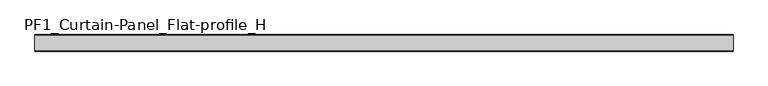
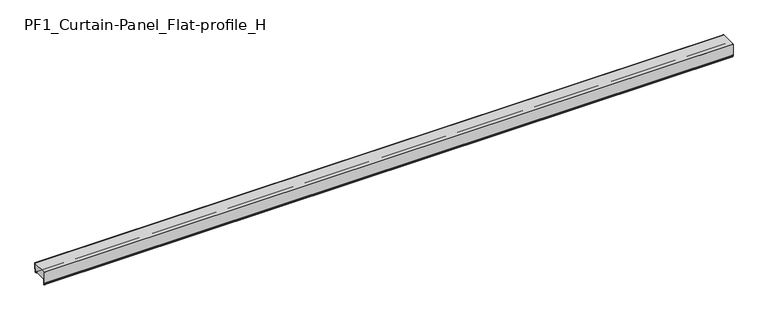
"""IFC4 building model written with IfcOpenShell, lengths in millimetres: plate geometry, PF1_Curtain-Panel_Flat-profile_H."""

from ifc_helpers import new_model, si_unit, point, frame, frame_2d, origin, place, context, project, spatial, polyline, circle_curve, trimmed, segment, composite_curve, outline, extrude, source, transform, mapped, element, save


def pf1_curtain_panel_flat_profile_h_f986effc(model_context):
    return source(origin(), model_context, "Body", "SweptSolid", [
        extrude(outline(composite_curve([segment(polyline([(-15.878557, 0.0), (-20.0, 0.0), (-20.0, 0.8), (-15.878557, 0.8)]), True, "CONTINUOUS"), segment(trimmed(circle_curve(frame_2d((-15.878557, -2.0)), 2.8), [point((-15.878557, 0.8))], [point((-13.1503208, -1.370137))], False, "CARTESIAN"), True, "CONTINUOUS"), segment(polyline([(-13.1503208, -1.370137), (-11.728236, -7.529863)]), True, "CONTINUOUS"), segment(trimmed(circle_curve(frame_2d((-9.0, -6.9)), 2.8), [point((-11.728236, -7.529863))], [point((-6.2, -6.9))], True, "CARTESIAN"), True, "CONTINUOUS"), segment(polyline([(-6.2, -6.9), (-6.2, 8.6)]), True, "CONTINUOUS"), segment(trimmed(circle_curve(frame_2d((-3.4, 8.6)), 2.8), [point((-6.2, 8.6))], [point((-3.4, 11.4))], False, "CARTESIAN"), True, "CONTINUOUS"), segment(polyline([(-3.4, 11.4), (-2.0, 11.4)]), True, "CONTINUOUS"), segment(trimmed(circle_curve(frame_2d((-2.0, 12.6)), 1.2), [point((-2.0, 11.4))], [point((-0.8, 12.6))], True, "CARTESIAN"), True, "CONTINUOUS"), segment(polyline([(-0.8, 12.6), (-0.8, 47.0), (0.0, 47.0), (0.0, 12.6)]), True, "CONTINUOUS"), segment(trimmed(circle_curve(frame_2d((-2.0, 12.6)), 2.0), [point((0.0, 12.6))], [point((-2.0, 10.6))], False, "CARTESIAN"), True, "CONTINUOUS"), segment(polyline([(-2.0, 10.6), (-3.4, 10.6)]), True, "CONTINUOUS"), segment(trimmed(circle_curve(frame_2d((-3.4, 8.6)), 2.0), [point((-3.4, 10.6))], [point((-5.4, 8.6))], True, "CARTESIAN"), True, "CONTINUOUS"), segment(polyline([(-5.4, 8.6), (-5.4, -6.9)]), True, "CONTINUOUS"), segment(trimmed(circle_curve(frame_2d((-9.0, -6.9)), 3.6), [point((-5.4, -6.9))], [point((-12.5077322, -7.7098239))], False, "CARTESIAN"), True, "CONTINUOUS"), segment(polyline([(-12.5077322, -7.7098239), (-13.929817, -1.5500979)]), True, "CONTINUOUS"), segment(trimmed(circle_curve(frame_2d((-15.878557, -2.0)), 2.0), [point((-13.929817, -1.5500979))], [point((-15.878557, 0.0))], True, "CARTESIAN"), True, "CONTINUOUS")], self_intersect=False)), frame((-2100.0, 0.0, 0.0), z_axis=(1.0, 0.0, 0.0), x_axis=(0.0, 1.0, 0.0)), (0.0, 0.0, 1.0), 4200.0),
        extrude(outline(composite_curve([segment(polyline([(-90.0, 0.0), (-93.5, 0.0)]), True, "CONTINUOUS"), segment(trimmed(circle_curve(frame_2d((-93.5, -2.0)), 2.0), [point((-93.5, 0.0))], [point((-95.5, -2.0))], True, "CARTESIAN"), True, "CONTINUOUS"), segment(polyline([(-95.5, -2.0), (-95.5, -33.0)]), True, "CONTINUOUS"), segment(trimmed(circle_curve(frame_2d((-96.5, -33.0)), 1.0), [point((-95.5, -33.0))], [point((-97.5, -33.0))], False, "CARTESIAN"), True, "CONTINUOUS"), segment(polyline([(-97.5, -33.0), (-97.5, -26.9)]), True, "CONTINUOUS"), segment(trimmed(circle_curve(frame_2d((-98.4, -26.9)), 0.9), [point((-97.5, -26.9))], [point((-98.4, -26.0))], True, "CARTESIAN"), True, "CONTINUOUS"), segment(trimmed(circle_curve(frame_2d((-98.4, -24.4)), 1.6), [point((-98.4, -26.0))], [point((-100.0, -24.4))], False, "CARTESIAN"), True, "CONTINUOUS"), segment(polyline([(-100.0, -24.4), (-100.0, 47.0), (-99.2, 47.0), (-99.2, -24.4)]), True, "CONTINUOUS"), segment(trimmed(circle_curve(frame_2d((-98.4, -24.4)), 0.8), [point((-99.2, -24.4))], [point((-98.4, -25.2))], True, "CARTESIAN"), True, "CONTINUOUS"), segment(trimmed(circle_curve(frame_2d((-98.6133333, -26.9)), 1.7133333), [point((-98.4, -25.2))], [point((-96.9, -26.9))], False, "CARTESIAN"), True, "CONTINUOUS"), segment(polyline([(-96.9, -26.9), (-96.9, -32.8700312)]), True, "CONTINUOUS"), segment(trimmed(circle_curve(frame_2d((-96.6, -32.8700312)), 0.3), [point((-96.9, -32.8700312))], [point((-96.3, -32.8700312))], True, "CARTESIAN"), True, "CONTINUOUS"), segment(polyline([(-96.3, -32.8700312), (-96.3, -2.0)]), True, "CONTINUOUS"), segment(trimmed(circle_curve(frame_2d((-93.5, -2.0)), 2.8), [point((-96.3, -2.0))], [point((-93.5, 0.8))], False, "CARTESIAN"), True, "CONTINUOUS"), segment(polyline([(-93.5, 0.8), (-90.0, 0.8), (-90.0, 0.0)]), True, "CONTINUOUS")], self_intersect=False)), frame((-2100.0, 0.0, 0.0), z_axis=(1.0, 0.0, 0.0), x_axis=(0.0, 1.0, 0.0)), (0.0, 0.0, 1.0), 4200.0),
        extrude(outline(composite_curve([segment(polyline([(-90.0, 0.8), (-93.5, 0.8)]), True, "CONTINUOUS"), segment(trimmed(circle_curve(frame_2d((-93.5, -2.0)), 2.8), [point((-93.5, 0.8))], [point((-96.3, -2.0))], True, "CARTESIAN"), True, "CONTINUOUS"), segment(polyline([(-96.3, -2.0), (-96.3, -32.8700312)]), True, "CONTINUOUS"), segment(trimmed(circle_curve(frame_2d((-96.6, -32.8700312)), 0.3), [point((-96.3, -32.8700312))], [point((-96.9, -32.8700312))], False, "CARTESIAN"), True, "CONTINUOUS"), segment(polyline([(-96.9, -32.8700312), (-96.9, -26.9)]), True, "CONTINUOUS"), segment(trimmed(circle_curve(frame_2d((-98.6133333, -26.9)), 1.7133333), [point((-96.9, -26.9))], [point((-98.4, -25.2))], True, "CARTESIAN"), True, "CONTINUOUS"), segment(trimmed(circle_curve(frame_2d((-98.4, -24.4)), 0.8), [point((-98.4, -25.2))], [point((-99.2, -24.4))], False, "CARTESIAN"), True, "CONTINUOUS"), segment(polyline([(-99.2, -24.4), (-99.2, 47.0), (-0.8, 47.0), (-0.8, 12.6)]), True, "CONTINUOUS"), segment(trimmed(circle_curve(frame_2d((-2.0, 12.6)), 1.2), [point((-0.8, 12.6))], [point((-2.0, 11.4))], False, "CARTESIAN"), True, "CONTINUOUS"), segment(polyline([(-2.0, 11.4), (-3.4, 11.4)]), True, "CONTINUOUS"), segment(trimmed(circle_curve(frame_2d((-3.4, 8.6)), 2.8), [point((-3.4, 11.4))], [point((-6.2, 8.6))], True, "CARTESIAN"), True, "CONTINUOUS"), segment(polyline([(-6.2, 8.6), (-6.2, -6.9)]), True, "CONTINUOUS"), segment(trimmed(circle_curve(frame_2d((-9.0, -6.9)), 2.8), [point((-6.2, -6.9))], [point((-11.7282362, -7.529863))], False, "CARTESIAN"), True, "CONTINUOUS"), segment(polyline([(-11.7282362, -7.529863), (-13.1503208, -1.370137)]), True, "CONTINUOUS"), segment(trimmed(circle_curve(frame_2d((-15.878557, -2.0)), 2.8), [point((-13.1503208, -1.370137))], [point((-15.878557, 0.8))], True, "CARTESIAN"), True, "CONTINUOUS"), segment(polyline([(-15.878557, 0.8), (-20.0, 0.8), (-20.0, 0.0), (-90.0, 0.0), (-90.0, 0.8)]), True, "CONTINUOUS")], self_intersect=False)), frame((-2100.0, 0.0, 0.0), z_axis=(1.0, 0.0, 0.0), x_axis=(0.0, 1.0, 0.0)), (0.0, 0.0, 1.0), 4200.0),
    ])


if __name__ == "__main__":
    model = new_model("IFC4")
    model_context = context("Model", 3, world=origin())
    ifc_project = project(units=[si_unit("LENGTHUNIT", "METRE", prefix="MILLI")], contexts=[model_context])
    site = spatial("IfcSite", under=ifc_project)
    building = spatial("IfcBuilding", under=site)
    placement = place(None, origin())
    pf1_curtain_panel_flat_profile_h_shape = pf1_curtain_panel_flat_profile_h_f986effc(model_context)
    element("IfcPlate", 1, ObjectType="PF1_Curtain-Panel_Flat-profile_H", at=placement, inside=building, context=model_context, shape_type="MappedRepresentation", body=[
        mapped(pf1_curtain_panel_flat_profile_h_shape, transform((0.0, 0.0, 0.0), x_axis=(1.0, 0.0, 0.0), y_axis=(0.0, 1.0, 0.0), z_axis=(0.0, 0.0, 1.0))),
    ])
    save(model, "model.ifc")
